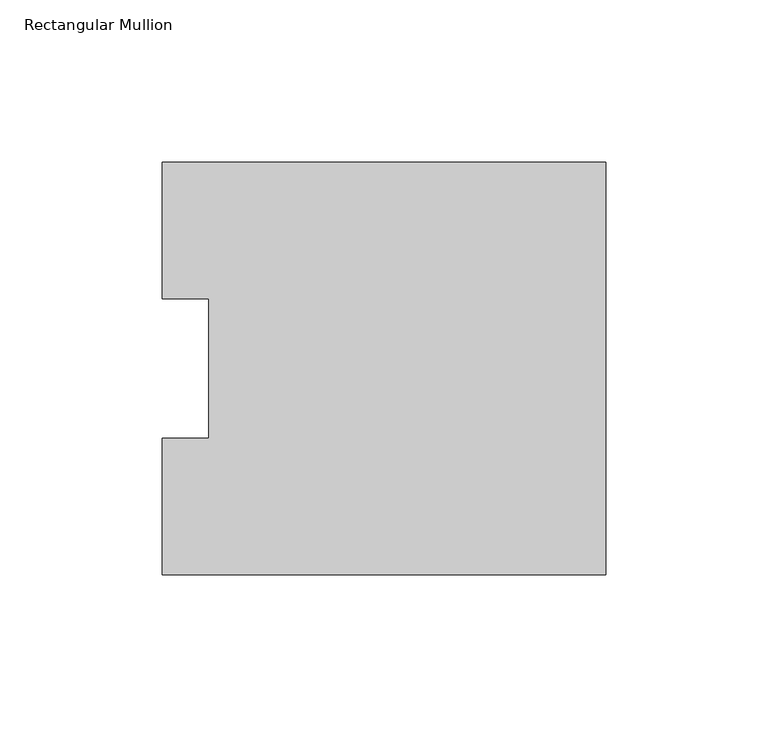
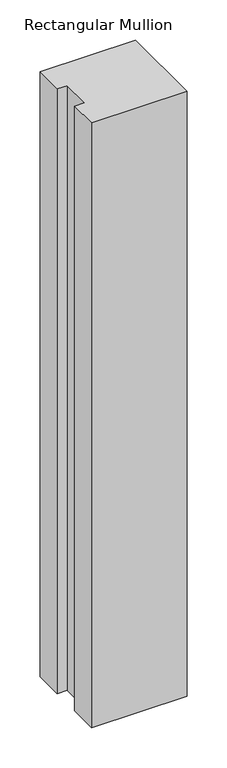
"""IFC4 building model written with IfcOpenShell, lengths in millimetres: member geometry, Rectangular Mullion."""

from ifc_helpers import new_model, si_unit, frame, origin, place, context, project, spatial, polyline, outline, extrude, source, transform, mapped, element, save


def rectangular_mullion_a8976352(model_context):
    return source(origin(), model_context, "Body", "SweptSolid", [
        extrude(outline(polyline([(0.0, 126.7086937), (0.0, -0.2913063), (-136.525, -0.2913063), (-136.525, 41.7837937), (-122.2375, 41.7837937), (-122.2375, 84.6335937), (-136.525, 84.6335937), (-136.525, 126.7086937), (0.0, 126.7086937)])), frame((0.0, 0.0, -914.4), z_axis=(0.0, 0.0, 1.0), x_axis=(1.0, 0.0, 0.0)), (0.0, 0.0, 1.0), 914.4),
    ])


if __name__ == "__main__":
    model = new_model("IFC4")
    model_context = context("Model", 3, world=origin())
    ifc_project = project(units=[si_unit("LENGTHUNIT", "METRE", prefix="MILLI")], contexts=[model_context])
    site = spatial("IfcSite", under=ifc_project)
    building = spatial("IfcBuilding", under=site)
    placement = place(None, origin())
    rectangular_mullion_shape = rectangular_mullion_a8976352(model_context)
    element("IfcMember", 1, ObjectType="Rectangular Mullion", at=placement, inside=building, context=model_context, shape_type="MappedRepresentation", body=[
        mapped(rectangular_mullion_shape, transform((0.0, 0.0, 0.0), x_axis=(1.0, 0.0, 0.0), y_axis=(0.0, 1.0, 0.0), z_axis=(0.0, 0.0, 1.0))),
    ])
    save(model, "model.ifc")
